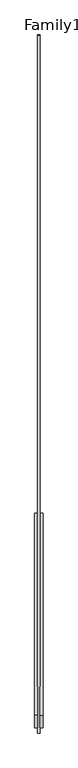
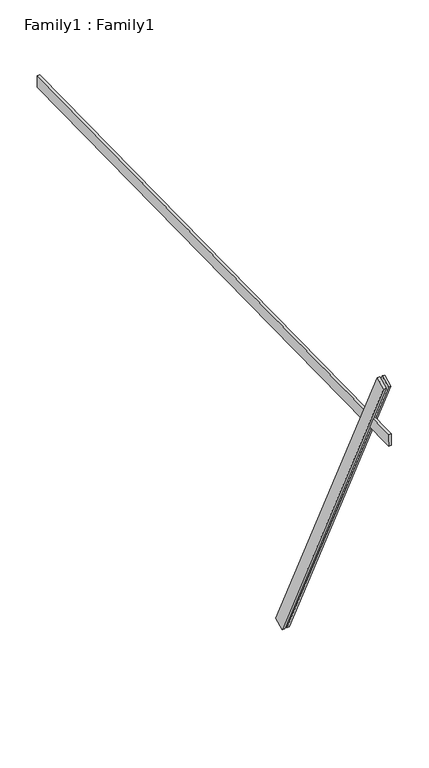
"""IFC4 building model written with IfcOpenShell, lengths in millimetres: proxy geometry, Family1 : Family1."""

from ifc_helpers import new_model, si_unit, frame, origin, place, context, project, spatial, polyline, outline, extrude, source, transform, mapped, element, save


def family1_family1_1bf41548(model_context):
    return source(origin(), model_context, "Body", "SweptSolid", [
        extrude(outline(polyline([(0.0, 0.0), (-100.0000001, 0.0), (-100.0000001, 20.0), (0.0, 20.0), (0.0, 0.0)])), frame((-30.0, -46.3241747, -22.5938096), z_axis=(0.0, -0.4383711467890692, 0.8987940462991711), x_axis=(0.0, -0.8987940462991711, -0.4383711467890692)), (0.0, 0.0, 1.0), 3300.0),
        extrude(outline(polyline([(0.0, 0.0), (-99.9999999, 0.0), (-99.9999999, 20.0), (0.0, 20.0), (0.0, 0.0)])), frame((10.0, -45.270232, -22.0797674), z_axis=(0.0, -0.4383711467890692, 0.8987940462991711), x_axis=(0.0, -0.8987940462991711, -0.4383711467890692)), (0.0, 0.0, 1.0), 3300.0),
        extrude(outline(polyline([(0.0, 20.0), (5000.0, 20.0), (5000.0, 0.0), (0.0, 0.0), (0.0, 20.0)])), frame((-10.0, 3470.9802955, 2548.6269308), z_axis=(0.0, -0.017452406437286072, 0.9998476951563913), x_axis=(0.0, -0.9998476951563913, -0.017452406437286072)), (0.0, 0.0, 1.0), 100.0),
    ])


if __name__ == "__main__":
    model = new_model("IFC4")
    model_context = context("Model", 3, world=origin())
    ifc_project = project(units=[si_unit("LENGTHUNIT", "METRE", prefix="MILLI")], contexts=[model_context])
    site = spatial("IfcSite", under=ifc_project)
    building = spatial("IfcBuilding", under=site)
    placement = place(None, origin())
    family1_family1_shape = family1_family1_1bf41548(model_context)
    element("IfcBuildingElementProxy", 1, Name="Family1 : Family1", ObjectType="Family1 : Family1", at=placement, inside=building, context=model_context, shape_type="MappedRepresentation", body=[
        mapped(family1_family1_shape, transform((0.0, 0.0, 0.0), x_axis=(1.0, 0.0, 0.0), y_axis=(0.0, 1.0, 0.0), z_axis=(0.0, 0.0, 1.0))),
    ])
    save(model, "model.ifc")
